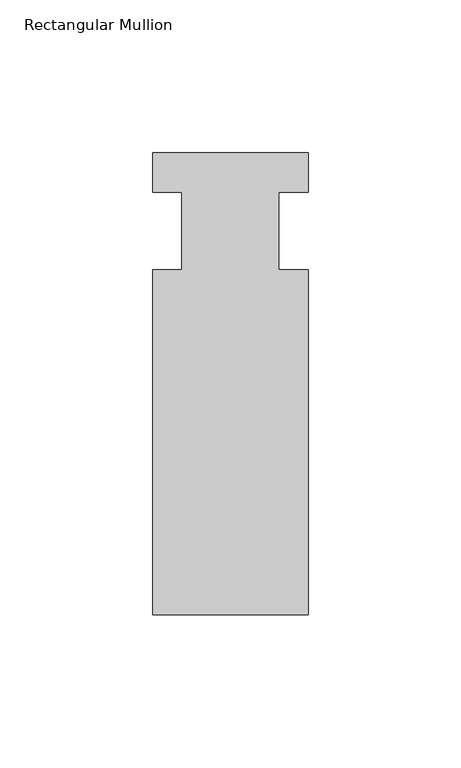
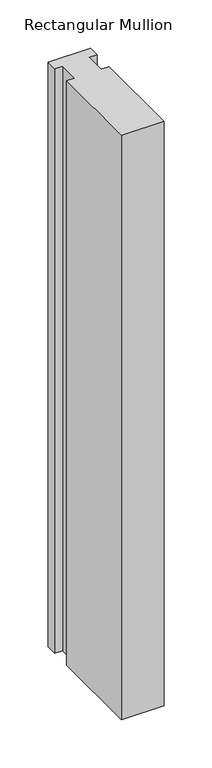
"""IFC4 building model written with IfcOpenShell, lengths in millimetres: member geometry, Rectangular Mullion."""

from ifc_helpers import new_model, si_unit, frame, origin, place, context, project, spatial, polyline, outline, extrude, source, transform, mapped, element, save


def rectangular_mullion_d3412270(model_context):
    return source(origin(), model_context, "Body", "SweptSolid", [
        extrude(outline(polyline([(-25.4, 25.5984375), (25.4, 25.5984375), (25.4, 12.7), (15.875, 12.7), (15.875, -12.7), (25.4, -12.7), (25.4, -125.6109375), (-25.4, -125.6109375), (-25.4, -12.7), (-15.875, -12.7), (-15.875, 12.7), (-25.4, 12.7), (-25.4, 25.5984375)])), frame((0.0, 0.0, -737.5514763), z_axis=(0.0, 0.0, 1.0), x_axis=(1.0, 0.0, 0.0)), (0.0, 0.0, 1.0), 737.5514763),
    ])


if __name__ == "__main__":
    model = new_model("IFC4")
    model_context = context("Model", 3, world=origin())
    ifc_project = project(units=[si_unit("LENGTHUNIT", "METRE", prefix="MILLI")], contexts=[model_context])
    site = spatial("IfcSite", under=ifc_project)
    building = spatial("IfcBuilding", under=site)
    placement = place(None, origin())
    rectangular_mullion_shape = rectangular_mullion_d3412270(model_context)
    element("IfcMember", 1, ObjectType="Rectangular Mullion", at=placement, inside=building, context=model_context, shape_type="MappedRepresentation", body=[
        mapped(rectangular_mullion_shape, transform((0.0, 0.0, 0.0), x_axis=(1.0, 0.0, 0.0), y_axis=(0.0, 1.0, 0.0), z_axis=(0.0, 0.0, 1.0))),
    ])
    save(model, "model.ifc")
